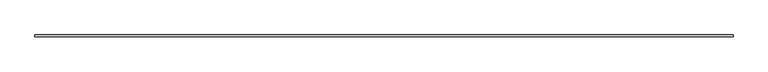
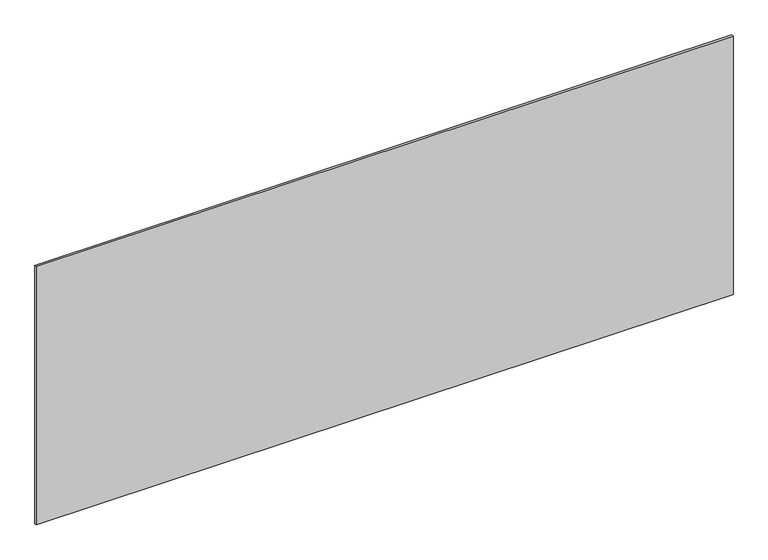
"""IFC4 building model written with IfcOpenShell, lengths in millimetres: plate geometry."""

from ifc_helpers import new_model, si_unit, origin, origin_with_axes, place, context, project, spatial, polyline, outline, extrude, source, transform, mapped, element, save


def plate_12c708f2(model_context):
    return source(origin(), model_context, "Body", "SweptSolid", [
        extrude(outline(polyline([(1715.0, -5.0), (-1715.0, -5.0), (-1715.0, 5.0), (1715.0, 5.0), (1715.0, -5.0)])), origin_with_axes(), (0.0, 0.0, 1.0), 1345.016358),
    ])


if __name__ == "__main__":
    model = new_model("IFC4")
    model_context = context("Model", 3, world=origin())
    ifc_project = project(units=[si_unit("LENGTHUNIT", "METRE", prefix="MILLI")], contexts=[model_context])
    site = spatial("IfcSite", under=ifc_project)
    building = spatial("IfcBuilding", under=site)
    placement = place(None, origin())
    plate_shape = plate_12c708f2(model_context)
    element("IfcPlate", 1, at=placement, inside=building, context=model_context, shape_type="MappedRepresentation", body=[
        mapped(plate_shape, transform((0.0, 0.0, 0.0), x_axis=(1.0, 0.0, 0.0), y_axis=(0.0, 1.0, 0.0), z_axis=(0.0, 0.0, 1.0))),
    ])
    save(model, "model.ifc")
